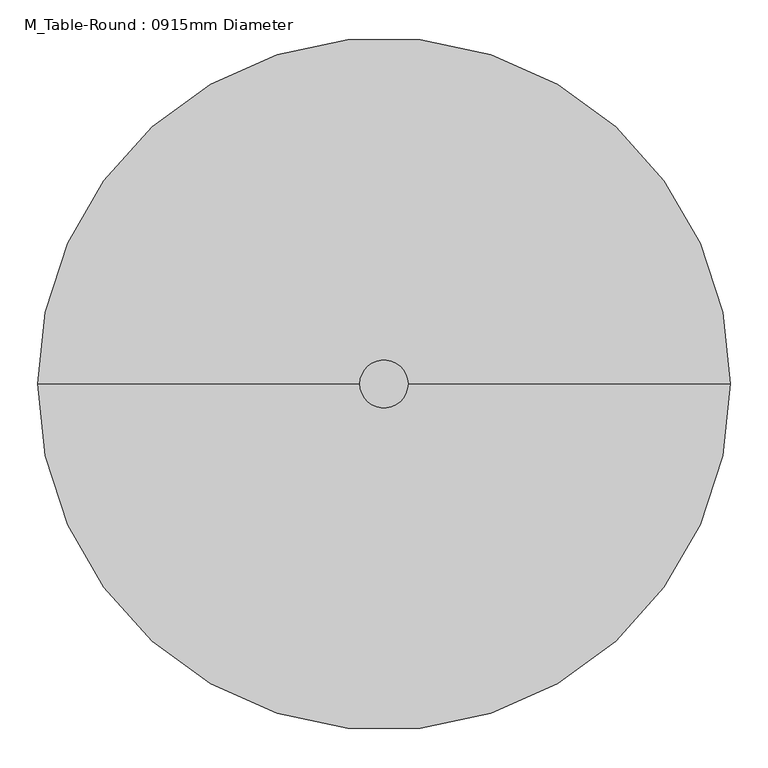
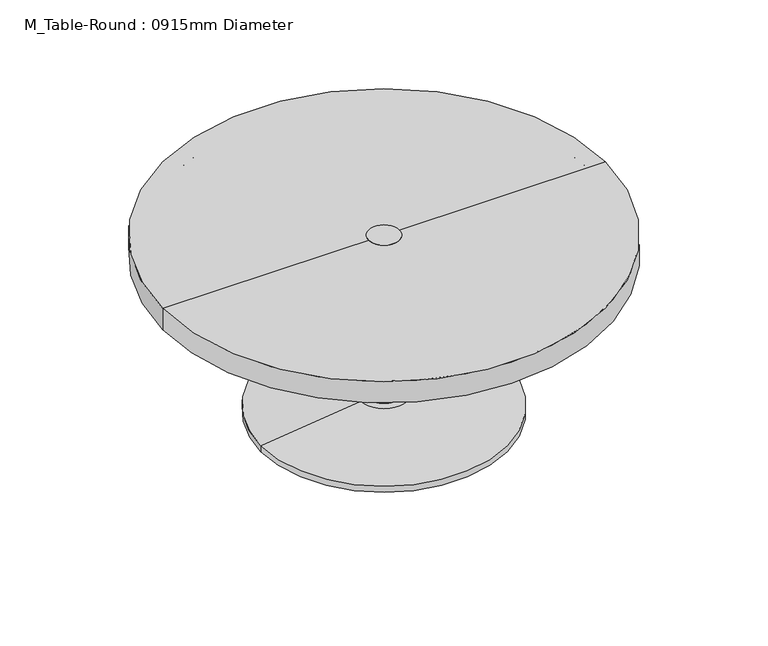
"""IFC4 building model written with IfcOpenShell, lengths in millimetres: furniture geometry, M_Table-Round : 0915mm Diameter."""

from ifc_helpers import new_model, si_unit, point, frame, origin, origin_2d, place, context, project, spatial, polyline, circle_curve, ellipse_curve, trimmed, segment, composite_curve, outline, extrude, source, transform, mapped, element, save
from ifc_brep_helpers import plane_surface, cylinder_surface, revolved_surface, advanced_brep


def m_table_round_0915mm_diameter_ef9f1167(model_context):
    return source(origin(), model_context, "Body", "SolidModel", [
        extrude(outline(composite_curve([segment(trimmed(circle_curve(origin_2d(), 31.75), [point((-31.75, 0.0))], [point((31.75, 0.0))], False, "CARTESIAN"), True, "CONTINUOUS"), segment(trimmed(circle_curve(origin_2d(), 31.75), [point((31.75, 0.0))], [point((-31.75, 0.0))], False, "CARTESIAN"), True, "CONTINUOUS")], self_intersect=False)), frame((0.0, 0.0, 38.1), z_axis=(0.0, 0.0, 1.0), x_axis=(1.0, 0.0, 0.0)), (0.0, 0.0, 1.0), 345.4733553),
        advanced_brep(
        [(457.0, 0.0, 383.5733553), (-457.0, 0.0, 383.5733553), (0.0, 0.0, 383.5733553), (0.0, 0.0, 350.0), (-415.1011364, 0.0, 350.0), (415.1011364, 0.0, 350.0), (-451.7526659, 0.0, 343.5373465), (451.7526659, 0.0, 343.5373465), (-457.0, 0.0, 337.2838172), (457.0, 0.0, 337.2838172)],
        [
            (0, 1, circle_curve(frame((0.0, 0.0, 383.5733553), z_axis=(0.0, 0.0, 1.0), x_axis=(-1.0, 0.0, 0.0)), 457.0)),
            (1, 2),
            (2, 0),
            (1, 0, circle_curve(frame((0.0, 0.0, 383.5733553), z_axis=(0.0, 0.0, 1.0), x_axis=(-1.0, 0.0, 0.0)), 457.0)),
            (3, 4),
            (4, 5, circle_curve(frame((0.0, 0.0, 350.0), z_axis=(0.0, 0.0, -1.0), x_axis=(-1.0, 0.0, 0.0)), 415.1011364)),
            (5, 3),
            (5, 4, circle_curve(frame((0.0, 0.0, 350.0), z_axis=(0.0, 0.0, -1.0), x_axis=(-1.0, 0.0, 0.0)), 415.1011364)),
            (4, 6),
            (6, 7, circle_curve(frame((0.0, 0.0, 343.5373465), z_axis=(0.0, 0.0, -1.0), x_axis=(-1.0, 0.0, 0.0)), 451.7526659)),
            (7, 5),
            (7, 6, circle_curve(frame((0.0, 0.0, 343.5373465), z_axis=(0.0, 0.0, -1.0), x_axis=(-1.0, 0.0, 0.0)), 451.7526659)),
            (6, 8, circle_curve(frame((-450.65, 0.0, 337.2838172), z_axis=(0.0, -1.0, 0.0), x_axis=(1.0, 0.0, 0.0)), 6.35)),
            (8, 9, circle_curve(frame((0.0, 0.0, 337.2838172), z_axis=(0.0, 0.0, -1.0), x_axis=(-1.0, 0.0, 0.0)), 457.0)),
            (9, 7, circle_curve(frame((450.65, 0.0, 337.2838172), z_axis=(0.0, -1.0, 0.0), x_axis=(-1.0, 0.0, 0.0)), 6.35)),
            (9, 8, circle_curve(frame((0.0, 0.0, 337.2838172), z_axis=(0.0, 0.0, -1.0), x_axis=(-1.0, 0.0, 0.0)), 457.0)),
            (8, 1),
            (0, 9),
        ],
        [
            plane_surface(frame((0.0, 0.0, 383.5733553), z_axis=(0.0, 0.0, 1.0), x_axis=(-1.0, 0.0, 0.0))),
            plane_surface(frame((0.0, 0.0, 350.0), z_axis=(0.0, 0.0, -1.0), x_axis=(-1.0, 0.0, 0.0))),
            revolved_surface(polyline([(-451.7526659, 0.0, 343.5373465), (-415.1011364, 0.0, 350.0)]), (0.0, 0.0, 426.2), (0.0, 0.0, -1.0)),
            revolved_surface(trimmed(ellipse_curve(frame((-450.65, 0.0, 337.2838172), z_axis=(0.0, 1.0, 0.0), x_axis=(1.0, 0.0, 0.0)), 6.35, 6.35), [point((-457.0, 0.0, 337.2838172))], [point((-451.7526659, 0.0, 343.5373465))], True, "CARTESIAN"), (0.0, 0.0, 426.2), (0.0, 0.0, -1.0)),
            cylinder_surface(frame((0.0, 0.0, 426.2), z_axis=(0.0, 0.0, -1.0), x_axis=(-1.0, 0.0, 0.0)), 457.0),
        ],
        [
            (0, [[1, 2, 3]]),
            (0, [[4, -3, -2]]),
            (1, [[5, 6, 7]]),
            (1, [[-7, 8, -5]]),
            (2, [[-6, 9, 10, 11]]),
            (2, [[-8, -11, 12, -9]]),
            (3, [[-10, 13, 14, 15]]),
            (3, [[-12, -15, 16, -13]]),
            (4, [[-14, 17, -1, 18]]),
            (4, [[-16, -18, -4, -17]]),
        ],
    ),
        advanced_brep(
        [(0.0, 0.0, 0.0), (-254.0, 0.0, 0.0), (254.0, 0.0, 0.0), (47.625, 0.0, 38.1), (-47.625, 0.0, 38.1), (0.0, 0.0, 38.1), (254.0, 0.0, 12.7), (-254.0, 0.0, 12.7)],
        [
            (0, 1),
            (1, 2, circle_curve(frame((0.0, 0.0, 0.0), z_axis=(0.0, 0.0, -1.0), x_axis=(-1.0, 0.0, 0.0)), 254.0)),
            (2, 0),
            (2, 1, circle_curve(frame((0.0, 0.0, 0.0), z_axis=(0.0, 0.0, -1.0), x_axis=(-1.0, 0.0, 0.0)), 254.0)),
            (3, 4, circle_curve(frame((0.0, 0.0, 38.1), z_axis=(0.0, 0.0, 1.0), x_axis=(-1.0, 0.0, 0.0)), 47.625)),
            (4, 5),
            (5, 3),
            (4, 3, circle_curve(frame((0.0, 0.0, 38.1), z_axis=(0.0, 0.0, 1.0), x_axis=(-1.0, 0.0, 0.0)), 47.625)),
            (6, 7, circle_curve(frame((0.0, 0.0, 12.7), z_axis=(0.0, 0.0, 1.0), x_axis=(-1.0, 0.0, 0.0)), 254.0)),
            (7, 4),
            (3, 6),
            (7, 6, circle_curve(frame((0.0, 0.0, 12.7), z_axis=(0.0, 0.0, 1.0), x_axis=(-1.0, 0.0, 0.0)), 254.0)),
            (1, 7),
            (6, 2),
        ],
        [
            plane_surface(frame((0.0, 0.0, 0.0), z_axis=(0.0, 0.0, -1.0), x_axis=(-1.0, 0.0, 0.0))),
            plane_surface(frame((0.0, 0.0, 38.1), z_axis=(0.0, 0.0, 1.0), x_axis=(-1.0, 0.0, 0.0))),
            revolved_surface(polyline([(-47.625, 0.0, 38.1), (-254.0, 0.0, 12.7)]), (0.0, 0.0, 215.9), (0.0, 0.0, -1.0)),
            cylinder_surface(frame((0.0, 0.0, 215.9), z_axis=(0.0, 0.0, -1.0), x_axis=(-1.0, 0.0, 0.0)), 254.0),
        ],
        [
            (0, [[1, 2, 3]]),
            (0, [[-3, 4, -1]]),
            (1, [[5, 6, 7]]),
            (1, [[8, -7, -6]]),
            (2, [[9, 10, -5, 11]]),
            (2, [[12, -11, -8, -10]]),
            (3, [[-2, 13, -9, 14]]),
            (3, [[-4, -14, -12, -13]]),
        ],
    ),
    ])


if __name__ == "__main__":
    model = new_model("IFC4")
    model_context = context("Model", 3, world=origin())
    ifc_project = project(units=[si_unit("LENGTHUNIT", "METRE", prefix="MILLI")], contexts=[model_context])
    site = spatial("IfcSite", under=ifc_project)
    building = spatial("IfcBuilding", under=site)
    placement = place(None, origin())
    m_table_round_0915mm_diameter_shape = m_table_round_0915mm_diameter_ef9f1167(model_context)
    element("IfcFurniture", 1, ObjectType="M_Table-Round : 0915mm Diameter", at=placement, inside=building, context=model_context, shape_type="MappedRepresentation", body=[
        mapped(m_table_round_0915mm_diameter_shape, transform((0.0, 0.0, 0.0), x_axis=(1.0, 0.0, 0.0), y_axis=(0.0, 1.0, 0.0), z_axis=(0.0, 0.0, 1.0))),
    ])
    save(model, "model.ifc")
